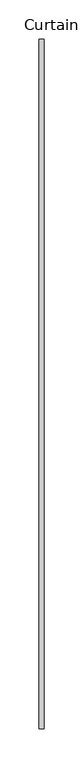
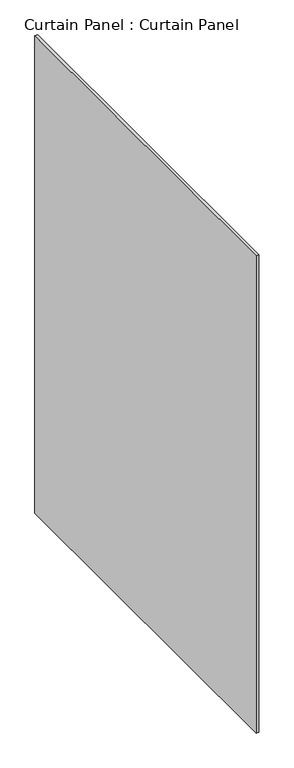
"""IFC4 building model written with IfcOpenShell, lengths in millimetres: plate geometry, Curtain Panel : Curtain Panel."""

from ifc_helpers import new_model, si_unit, frame, origin, place, context, project, spatial, polyline, outline, extrude, source, transform, mapped, element, save


def curtain_panel_curtain_panel_005d6109(model_context):
    return source(origin(), model_context, "Body", "SweptSolid", [
        extrude(outline(polyline([(-34596.2104182, 4992.3402268), (-34596.2104182, 4109.8807268), (-34602.5604182, 4109.8807268), (-34602.5604182, 4992.3402268), (-34596.2104182, 4992.3402268)])), frame((0.0, 0.0, 2454.4782033), z_axis=(0.0, 0.0, 1.0), x_axis=(1.0, 0.0, 0.0)), (0.0, 0.0, 1.0), 1161.8467967),
    ])


if __name__ == "__main__":
    model = new_model("IFC4")
    model_context = context("Model", 3, world=origin())
    ifc_project = project(units=[si_unit("LENGTHUNIT", "METRE", prefix="MILLI")], contexts=[model_context])
    site = spatial("IfcSite", under=ifc_project)
    building = spatial("IfcBuilding", under=site)
    placement = place(None, origin())
    curtain_panel_curtain_panel_shape = curtain_panel_curtain_panel_005d6109(model_context)
    element("IfcPlate", 1, ObjectType="Curtain Panel : Curtain Panel", at=placement, inside=building, context=model_context, shape_type="MappedRepresentation", body=[
        mapped(curtain_panel_curtain_panel_shape, transform((0.0, 0.0, 0.0), x_axis=(1.0, 0.0, 0.0), y_axis=(0.0, 1.0, 0.0), z_axis=(0.0, 0.0, 1.0))),
    ])
    save(model, "model.ifc")
